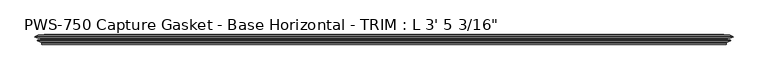
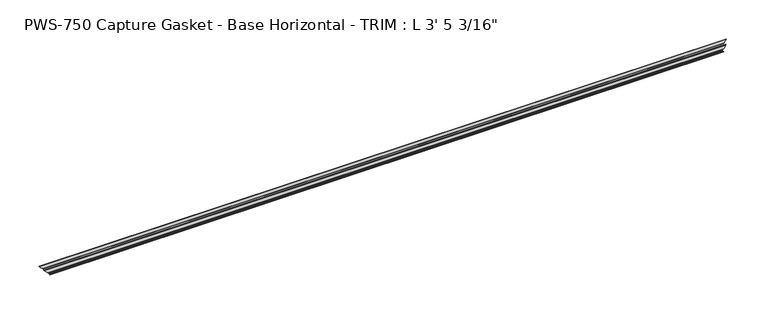
"""IFC4 building model written with IfcOpenShell, lengths in millimetres: proxy geometry."""

from ifc_helpers import new_model, si_unit, origin, place, context, project, spatial, faceted_brep, source, transform, mapped, element, save


def proxy_7efabb4d(model_context):
    return source(origin(), model_context, "Body", "Brep", [
        faceted_brep([(1035.6444896, -11.3058688, 3.7741579), (1036.1930985, -10.5185521, 4.3227669), (9.9694015, -10.5185521, 4.3227669), (10.5180104, -11.3058688, 3.7741579), (1039.3083472, -10.1484847, 7.4380156), (6.8541528, -10.1484847, 7.4380156), (1038.0090317, -11.2380874, 6.1387001), (8.1534683, -11.2380874, 6.1387001), (1041.9537413, -9.8326365, 10.0834097), (4.2087587, -9.8326365, 10.0834097), (1042.5430985, -9.077363, 10.6727669), (3.6194015, -9.077363, 10.6727669), (1041.9169399, -8.3570499, 10.0466082), (4.2455601, -8.3570499, 10.0466082), (1038.0090317, -6.964711, 6.1387001), (8.1534683, -6.964711, 6.1387001), (1039.3083472, -8.0543136, 7.4380156), (6.8541528, -8.0543136, 7.4380156), (1036.1930985, -7.6842462, 4.3227669), (9.9694015, -7.6842462, 4.3227669), (1036.1930985, -4.8395867, 4.3227669), (9.9694015, -4.8395867, 4.3227669), (1041.7799953, -4.8395867, 9.9096637), (4.3825047, -4.8395867, 9.9096637), (0.0, -3.7618735, 14.2921683), (1046.1625, -3.7618735, 14.2921683), (1045.9159438, -2.7592562, 14.0456121), (0.2465562, -2.7592562, 14.0456121), (1040.8138857, -0.3893608, 8.9435541), (5.3486143, -0.3893608, 8.9435541), (1042.8699272, -2.4454023, 10.9995955), (3.2925728, -2.4454023, 10.9995955), (1040.7031521, -2.4454023, 8.8328204), (5.4593479, -2.4454023, 8.8328204), (1037.7331868, -0.3893608, 5.8628551), (8.4293132, -0.3893608, 5.8628551), (1039.5762223, -2.6340331, 7.7058906), (6.5862777, -2.6340331, 7.7058906), (1036.4712389, -2.3338527, 4.6009073), (9.6912611, -2.3338527, 4.6009073), (1032.2354819, 0.0, 0.3651502), (13.9270181, 0.0, 0.3651502), (1031.8703317, -0.7787217, 0.0), (14.2921683, -0.7787217, 0.0), (1034.4224092, -3.3307993, 2.5520776), (11.7400908, -3.3307993, 2.5520776), (1034.7679886, -13.0602862, 2.897657), (11.3945114, -13.0602862, 2.897657), (1036.1261873, -14.4184849, 4.2558556), (10.0363127, -14.4184849, 4.2558556), (1036.1261873, -13.3109165, 4.2558556), (10.0363127, -13.3109165, 4.2558556)], [[[0, 1, 2, 3]], [[1, 4, 5, 2]], [[4, 6, 7, 5]], [[6, 8, 9, 7]], [[8, 10, 11, 9]], [[10, 12, 13, 11]], [[12, 14, 15, 13]], [[14, 16, 17, 15]], [[16, 18, 19, 17]], [[18, 20, 21, 19]], [[20, 22, 23, 21]], [[24, 23, 22, 25]], [[25, 26, 27, 24]], [[26, 28, 29, 27]], [[28, 30, 31, 29]], [[30, 32, 33, 31]], [[32, 34, 35, 33]], [[34, 36, 37, 35]], [[36, 38, 39, 37]], [[38, 40, 41, 39]], [[40, 42, 43, 41]], [[42, 44, 45, 43]], [[44, 46, 47, 45]], [[46, 48, 49, 47]], [[48, 50, 51, 49]], [[3, 51, 50, 0]], [[0, 50, 48, 46, 44, 42, 40, 38, 36, 34, 32, 30, 28, 26, 25, 22, 20, 18, 16, 14, 12, 10, 8, 6, 4, 1]], [[2, 5, 7, 9, 11, 13, 15, 17, 19, 21, 23, 24, 27, 29, 31, 33, 35, 37, 39, 41, 43, 45, 47, 49, 51, 3]]]),
    ])


if __name__ == "__main__":
    model = new_model("IFC4")
    model_context = context("Model", 3, world=origin())
    ifc_project = project(units=[si_unit("LENGTHUNIT", "METRE", prefix="MILLI")], contexts=[model_context])
    site = spatial("IfcSite", under=ifc_project)
    building = spatial("IfcBuilding", under=site)
    placement = place(None, origin())
    proxy_shape = proxy_7efabb4d(model_context)
    element("IfcBuildingElementProxy", 1, Name="PWS-750 Capture Gasket - Base Horizontal - TRIM : L 3' 5 3/16\"", ObjectType="PWS-750 Capture Gasket - Base Horizontal - TRIM : L 3' 5 3/16\"", at=placement, inside=building, context=model_context, shape_type="MappedRepresentation", body=[
        mapped(proxy_shape, transform((0.0, 0.0, 0.0), x_axis=(1.0, 0.0, 0.0), y_axis=(0.0, 1.0, 0.0), z_axis=(0.0, 0.0, 1.0))),
    ])
    save(model, "model.ifc")
